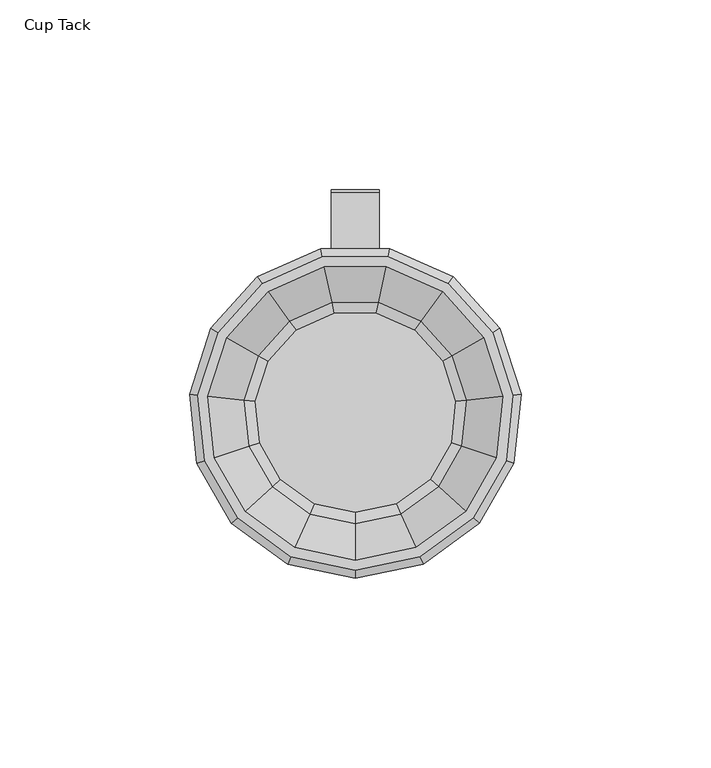
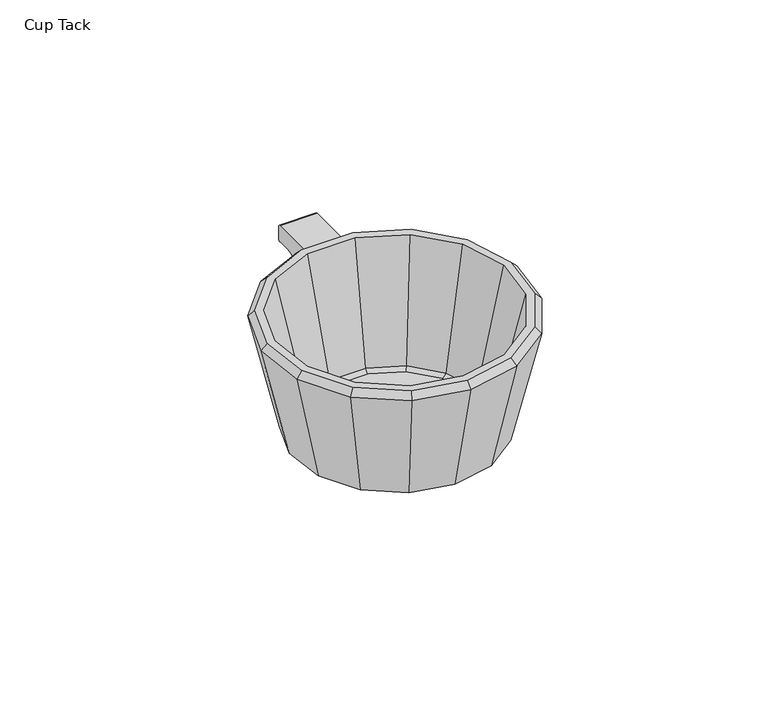
"""IFC4 building model written with IfcOpenShell, lengths in millimetres: furniture geometry, Cup Tack."""

from ifc_helpers import new_model, si_unit, point, frame, frame_2d, origin, place, context, project, spatial, polyline, circle_curve, trimmed, segment, composite_curve, outline, extrude, faceted_brep, source, transform, mapped, element, save


def cup_tack_4f13a4c8(model_context):
    return source(origin(), model_context, "Body", "SolidModel", [
        faceted_brep([(-17.3615388, -33.7567355, 840.9148997), (-23.0061752, -25.98756, 881.6086149), (-33.896618, -38.082622, 881.6086149), (-25.5799777, -42.8842366, 840.9148997), (-15.6134865, -36.1627231, 839.7416937), (-23.0044491, -44.3712187, 839.7416937), (-25.8453281, -22.0798013, 879.4907035), (-20.331732, -29.6686152, 839.7416937), (-29.9561725, -40.3576393, 839.7416937), (-38.0797419, -35.6674944, 879.4907035), (-38.9260277, -53.5615532, 881.6086149), (-29.3754061, -54.565364, 840.9148997), (-26.4177335, -54.8762279, 839.7416937), (-34.4009187, -54.0371613, 839.7416937), (-43.7298223, -53.0566541, 879.4907035), (-37.2247735, -69.7479057, 881.6086149), (-28.0915599, -66.7803447, 840.9148997), (-25.2631518, -65.8613392, 839.7416937), (-32.8974335, -68.3418677, 839.7416937), (-41.8186193, -71.2405367, 879.4907035), (-29.0870178, -83.842912, 881.6086149), (-21.9504278, -77.4170976, 840.9148997), (-19.7403416, -75.427127, 839.7416937), (-25.7056831, -80.7983446, 839.7416937), (-32.676597, -87.0749837, 879.4907035), (-15.9198524, -93.4094176, 881.6086149), (-12.0138673, -84.6364313, 840.9148997), (-10.804247, -81.9195798, 839.7416937), (-14.0691867, -89.2527542, 839.7416937), (-17.8844943, -97.8220754, 879.4907035), (0.0, -96.7932867, 881.6086149), (0.0, -87.1900577, 840.9148997), (0.0, -84.2160934, 839.7416937), (0.0, -92.2432521, 839.7416937), (0.0, -101.623542, 879.4907035), (15.9198524, -93.4094176, 881.6086149), (12.0138673, -84.6364313, 840.9148997), (10.804247, -81.9195798, 839.7416937), (14.0691867, -89.2527542, 839.7416937), (17.8844943, -97.8220754, 879.4907035), (29.0870178, -83.842912, 881.6086149), (21.9504278, -77.4170976, 840.9148997), (19.7403416, -75.427127, 839.7416937), (25.7056831, -80.7983446, 839.7416937), (32.676597, -87.0749837, 879.4907035), (37.2247735, -69.7479057, 881.6086149), (28.0915599, -66.7803447, 840.9148997), (25.2631518, -65.8613392, 839.7416937), (32.8974335, -68.3418677, 839.7416937), (41.8186193, -71.2405367, 879.4907035), (38.9260277, -53.5615532, 881.6086149), (29.3754061, -54.565364, 840.9148997), (26.4177335, -54.8762279, 839.7416937), (34.4009187, -54.0371613, 839.7416937), (43.7298223, -53.0566541, 879.4907035), (33.896618, -38.082622, 881.6086149), (25.5799777, -42.8842366, 840.9148997), (23.0044491, -44.3712187, 839.7416937), (29.9561725, -40.3576393, 839.7416937), (38.0797419, -35.6674944, 879.4907035), (23.0061752, -25.98756, 881.6086149), (17.3615388, -33.7567355, 840.9148997), (15.6134865, -36.1627231, 839.7416937), (20.331732, -29.6686152, 839.7416937), (25.8453281, -22.0798013, 879.4907035), (8.1377557, -19.3677131, 881.6086149), (6.1411321, -28.7610885, 840.9148997), (5.5228102, -31.6700646, 839.7416937), (7.1917503, -23.8183185, 839.7416937), (9.1420223, -14.6430104, 879.4907035), (-8.1377557, -19.3677131, 881.6086149), (-6.1411321, -28.7610885, 840.9148997), (-5.5228102, -31.6700646, 839.7416937), (-7.1917503, -23.8183185, 839.7416937), (-9.1420223, -14.6430104, 879.4907035), (24.5726397, -23.8315066, 881.6086149), (8.6918463, -16.7609218, 881.6086149), (-8.6918463, -16.7609218, 881.6086149), (-24.5726397, -23.8315066, 881.6086149), (-36.2046004, -36.7501078, 881.6086149), (-41.5764569, -53.2829819, 881.6086149), (-39.7593662, -70.5714448, 881.6086149), (-31.0675199, -85.6261642, 881.6086149), (-17.0038172, -95.8440423, 881.6086149), (0.0, -99.4583152, 881.6086149), (17.0038172, -95.8440423, 881.6086149), (31.0675199, -85.6261642, 881.6086149), (39.7593662, -70.5714448, 881.6086149), (41.5764569, -53.2829819, 881.6086149), (36.2046004, -36.7501078, 881.6086149)], [[[0, 1, 2, 3]], [[4, 0, 3, 5]], [[6, 7, 8, 9]], [[3, 2, 10, 11]], [[5, 3, 11, 12]], [[9, 8, 13, 14]], [[11, 10, 15, 16]], [[12, 11, 16, 17]], [[14, 13, 18, 19]], [[16, 15, 20, 21]], [[17, 16, 21, 22]], [[19, 18, 23, 24]], [[21, 20, 25, 26]], [[22, 21, 26, 27]], [[24, 23, 28, 29]], [[26, 25, 30, 31]], [[27, 26, 31, 32]], [[29, 28, 33, 34]], [[31, 30, 35, 36]], [[32, 31, 36, 37]], [[34, 33, 38, 39]], [[36, 35, 40, 41]], [[37, 36, 41, 42]], [[39, 38, 43, 44]], [[41, 40, 45, 46]], [[42, 41, 46, 47]], [[44, 43, 48, 49]], [[46, 45, 50, 51]], [[47, 46, 51, 52]], [[49, 48, 53, 54]], [[51, 50, 55, 56]], [[52, 51, 56, 57]], [[54, 53, 58, 59]], [[56, 55, 60, 61]], [[57, 56, 61, 62]], [[59, 58, 63, 64]], [[61, 60, 65, 66]], [[62, 61, 66, 67]], [[64, 63, 68, 69]], [[66, 65, 70, 71]], [[67, 66, 71, 72]], [[69, 68, 73, 74]], [[75, 76, 77, 78, 79, 80, 81, 82, 83, 84, 85, 86, 87, 88, 89], [1, 70, 65, 60, 55, 50, 45, 40, 35, 30, 25, 20, 15, 10, 2]], [[71, 70, 1, 0]], [[72, 71, 0, 4]], [[7, 73, 68, 63, 58, 53, 48, 43, 38, 33, 28, 23, 18, 13, 8], [62, 67, 72, 4, 5, 12, 17, 22, 27, 32, 37, 42, 47, 52, 57]], [[74, 73, 7, 6]], [[78, 6, 9, 79]], [[79, 9, 14, 80]], [[80, 14, 19, 81]], [[81, 19, 24, 82]], [[82, 24, 29, 83]], [[83, 29, 34, 84]], [[84, 34, 39, 85]], [[85, 39, 44, 86]], [[86, 44, 49, 87]], [[87, 49, 54, 88]], [[88, 54, 59, 89]], [[89, 59, 64, 75]], [[75, 64, 69, 76]], [[76, 69, 74, 77]], [[77, 74, 6, 78]]]),
        extrude(outline(composite_curve([segment(polyline([(-14.7037972, 879.2273649), (0.1412908, 879.2273649)]), True, "CONTINUOUS"), segment(trimmed(circle_curve(frame_2d((0.1412908, 878.4045611)), 0.8228039), [point((0.1412908, 879.2273649))], [point((0.9640946, 878.4045611))], False, "CARTESIAN"), True, "CONTINUOUS"), segment(polyline([(0.9640946, 878.4045611), (0.9640946, 874.1986446)]), True, "CONTINUOUS"), segment(trimmed(circle_curve(frame_2d((0.1444316, 874.1986446)), 0.819663), [point((0.9640946, 874.1986446))], [point((0.1444316, 873.3789816))], False, "CARTESIAN"), True, "CONTINUOUS"), segment(polyline([(0.1444316, 873.3789816), (-4.6214877, 873.3789816)]), True, "CONTINUOUS"), segment(trimmed(circle_curve(frame_2d((-4.6214877, 869.5293348)), 3.8496468), [point((-4.6214877, 873.3789816))], [point((-8.3724988, 870.3951848))], True, "CARTESIAN"), True, "CONTINUOUS"), segment(polyline([(-8.3724988, 870.3951848), (-14.6450494, 843.2214187), (-23.0150897, 843.2214187), (-14.7037972, 879.2273649)]), True, "CONTINUOUS")], self_intersect=False)), frame((-6.3500002, 0.0, 0.0), z_axis=(1.0, 0.0, 0.0), x_axis=(0.0, 1.0, 0.0)), (0.0, 0.0, 1.0), 12.7000004),
        extrude(outline(polyline([(-15.6134865, -36.1627231), (-5.5228102, -31.6700646), (5.5228102, -31.6700646), (15.6134865, -36.1627231), (23.0044491, -44.3712187), (26.4177335, -54.8762279), (25.2631518, -65.8613392), (19.7403416, -75.427127), (10.804247, -81.9195798), (0.0, -84.2160934), (-10.804247, -81.9195798), (-19.7403416, -75.427127), (-25.2631518, -65.8613392), (-26.4177335, -54.8762279), (-23.0044491, -44.3712187), (-15.6134865, -36.1627231)])), frame((0.0, 0.0, 839.7416937), z_axis=(0.0, 0.0, 1.0), x_axis=(1.0, 0.0, 0.0)), (0.0, 0.0, 1.0), 1.173206),
    ])


if __name__ == "__main__":
    model = new_model("IFC4")
    model_context = context("Model", 3, world=origin())
    ifc_project = project(units=[si_unit("LENGTHUNIT", "METRE", prefix="MILLI")], contexts=[model_context])
    site = spatial("IfcSite", under=ifc_project)
    building = spatial("IfcBuilding", under=site)
    placement = place(None, origin())
    cup_tack_shape = cup_tack_4f13a4c8(model_context)
    element("IfcFurniture", 1, ObjectType="Cup Tack", at=placement, inside=building, context=model_context, shape_type="MappedRepresentation", body=[
        mapped(cup_tack_shape, transform((0.0, 0.0, 0.0), x_axis=(1.0, 0.0, 0.0), y_axis=(0.0, 1.0, 0.0), z_axis=(0.0, 0.0, 1.0))),
    ])
    save(model, "model.ifc")
